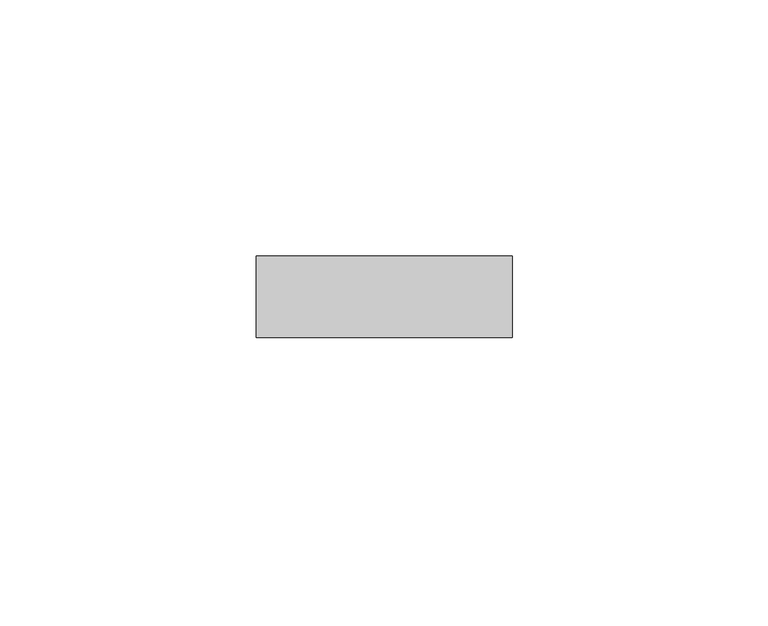
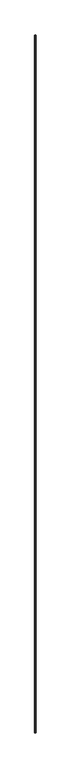
"""IFC4 building model written with IfcOpenShell, lengths in millimetres: proxy geometry."""

from ifc_helpers import new_model, si_unit, frame, origin, place, context, project, spatial, polyline, outline, extrude, source, transform, mapped, element, save


def generic_models_25f66516(model_context):
    return source(origin(), model_context, "Body", "SweptSolid", [
        extrude(outline(polyline([(55.5018515, -62.4360182), (5.5018515, -62.4360182), (5.5018515, -46.4360182), (55.5018515, -46.4360182), (55.5018515, -62.4360182)])), frame((0.0, 0.0, -15708.7181082), z_axis=(0.0, 0.0, 1.0), x_axis=(1.0, 0.0, 0.0)), (0.0, 0.0, 1.0), 35917.4362164),
    ])


if __name__ == "__main__":
    model = new_model("IFC4")
    model_context = context("Model", 3, world=origin())
    ifc_project = project(units=[si_unit("LENGTHUNIT", "METRE", prefix="MILLI")], contexts=[model_context])
    site = spatial("IfcSite", under=ifc_project)
    building = spatial("IfcBuilding", under=site)
    placement = place(None, origin())
    generic_models_shape = generic_models_25f66516(model_context)
    element("IfcBuildingElementProxy", 1, Name="Generic Models", at=placement, inside=building, context=model_context, shape_type="MappedRepresentation", body=[
        mapped(generic_models_shape, transform((0.0, 0.0, 0.0), x_axis=(1.0, 0.0, 0.0), y_axis=(0.0, 1.0, 0.0), z_axis=(0.0, 0.0, 1.0))),
    ])
    save(model, "model.ifc")
